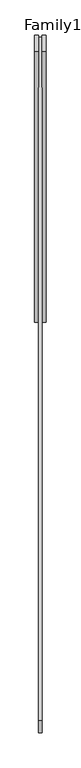
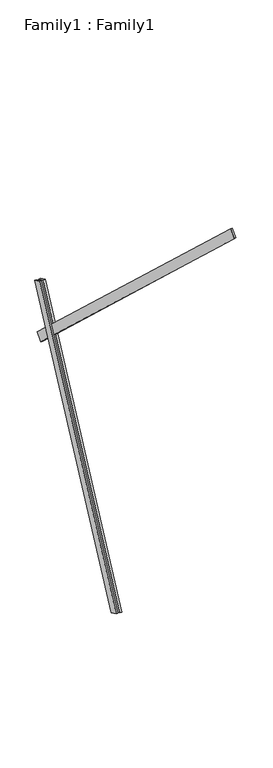
"""IFC4 building model written with IfcOpenShell, lengths in millimetres: proxy geometry, Family1 : Family1."""

from ifc_helpers import new_model, si_unit, frame, origin, place, context, project, spatial, polyline, outline, extrude, source, transform, mapped, element, save


def family1_family1_dc57ad6b(model_context):
    return source(origin(), model_context, "Body", "SweptSolid", [
        extrude(outline(polyline([(0.0, 0.0), (0.0, -20.0), (-100.0000001, -20.0), (-100.0000001, 0.0), (0.0, 0.0)])), frame((-30.0, 46.3241747, -22.5938096), z_axis=(0.0, 0.4383711467890692, 0.8987940462991711), x_axis=(0.0, 0.8987940462991711, -0.4383711467890692)), (0.0, 0.0, 1.0), 3300.0),
        extrude(outline(polyline([(0.0, 0.0), (0.0, -20.0), (-99.9999999, -20.0), (-99.9999999, 0.0), (0.0, 0.0)])), frame((10.0, 45.270232, -22.0797674), z_axis=(0.0, 0.4383711467890692, 0.8987940462991711), x_axis=(0.0, 0.8987940462991711, -0.4383711467890692)), (0.0, 0.0, 1.0), 3300.0),
        extrude(outline(polyline([(0.0, -20.0), (0.0, 0.0), (5000.0, 0.0), (5000.0, -20.0), (0.0, -20.0)])), frame((-10.0, -2242.7523441, 5684.2629335), z_axis=(0.0, 0.6819983600624998, 0.7313537016191692), x_axis=(0.0, 0.7313537016191692, -0.6819983600624998)), (0.0, 0.0, 1.0), 100.0),
    ])


if __name__ == "__main__":
    model = new_model("IFC4")
    model_context = context("Model", 3, world=origin())
    ifc_project = project(units=[si_unit("LENGTHUNIT", "METRE", prefix="MILLI")], contexts=[model_context])
    site = spatial("IfcSite", under=ifc_project)
    building = spatial("IfcBuilding", under=site)
    placement = place(None, origin())
    family1_family1_shape = family1_family1_dc57ad6b(model_context)
    element("IfcBuildingElementProxy", 1, Name="Family1 : Family1", ObjectType="Family1 : Family1", at=placement, inside=building, context=model_context, shape_type="MappedRepresentation", body=[
        mapped(family1_family1_shape, transform((0.0, 0.0, 0.0), x_axis=(1.0, 0.0, 0.0), y_axis=(0.0, 1.0, 0.0), z_axis=(0.0, 0.0, 1.0))),
    ])
    save(model, "model.ifc")
